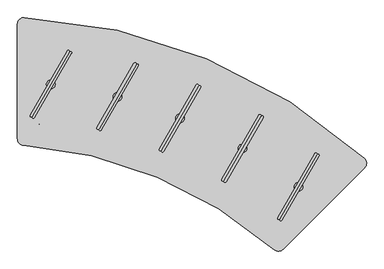
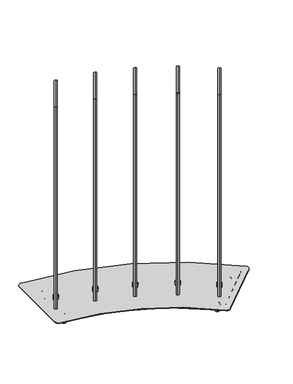
"""IFC4 building model written with IfcOpenShell, lengths in millimetres: furniture geometry."""

from ifc_helpers import new_model, si_unit, point, frame, frame_2d, origin, place, context, project, spatial, polyline, circle_curve, ellipse_curve, trimmed, segment, composite_curve, outline, extrude, source, transform, mapped, element, save
from ifc_brep_helpers import plane_surface, cylinder_surface, revolved_surface, advanced_brep


def furniture_3e523dc0(model_context):
    return source(origin(), model_context, "Body", "SolidModel", [
        advanced_brep(
        [(280.6734308, -353.5244965, 45.0000013), (281.7186409, -351.0011417, 45.0000013), (279.6282207, -356.0478512, 45.0000013), (279.6282207, -356.0478512, 20.9698569), (281.7186409, -351.0011417, 20.9698569), (280.6734308, -353.5244965, 20.9698569)],
        [
            (0, 1),
            (1, 2, circle_curve(frame((280.6734308, -353.5244965, 45.0000013), z_axis=(0.0, 0.0, 1.0), x_axis=(0.3826841693843445, 0.9238792272275713, 0.0)), 2.7312604)),
            (2, 0),
            (2, 1, circle_curve(frame((280.6734308, -353.5244965, 45.0000013), z_axis=(0.0, 0.0, 1.0), x_axis=(0.3826841693843445, 0.9238792272275713, 0.0)), 2.7312604)),
            (3, 4, circle_curve(frame((280.6734308, -353.5244965, 20.9698569), z_axis=(0.0, 0.0, -1.0), x_axis=(0.3826841693843445, 0.9238792272275713, 0.0)), 2.7312604)),
            (4, 5),
            (5, 3),
            (4, 3, circle_curve(frame((280.6734308, -353.5244965, 20.9698569), z_axis=(0.0, 0.0, -1.0), x_axis=(0.3826841693843445, 0.9238792272275713, 0.0)), 2.7312604)),
            (1, 4),
            (3, 2),
        ],
        [
            plane_surface(frame((280.6734308, -353.5244965, 45.0000013), z_axis=(0.0, 0.0, 1.0), x_axis=(0.3826841693843445, 0.9238792272275713, 0.0))),
            plane_surface(frame((280.6734308, -353.5244965, 20.9698569), z_axis=(0.0, 0.0, -1.0), x_axis=(0.3826841693843445, 0.9238792272275713, 0.0))),
            cylinder_surface(frame((280.6734308, -353.5244965, 53.5051757), z_axis=(0.0, 0.0, 1.0), x_axis=(0.3826841693843445, 0.9238792272275713, 0.0)), 2.7312604),
        ],
        [
            (0, [[1, 2, 3]]),
            (0, [[-3, 4, -1]]),
            (1, [[5, 6, 7]]),
            (1, [[8, -7, -6]]),
            (2, [[-2, 9, -5, 10]]),
            (2, [[-4, -10, -8, -9]]),
        ],
    ),
        advanced_brep(
        [(287.9444294, -335.9707925, 6.35), (287.9444294, -335.9707925, 29.650001), (287.9444294, -335.9707925, 18.0000005), (285.514385, -341.8374256, 0.0), (285.514385, -341.8374256, 36.000001), (283.3522199, -347.0573422, 0.0), (283.3522199, -347.0573422, 36.000001), (283.3522199, -347.0573422, 11.0000008), (283.3522199, -347.0573422, 25.0000002), (277.99464, -359.991655, 11.0000008), (277.99464, -359.991655, 25.0000002), (277.99464, -359.991655, 0.0), (277.99464, -359.991655, 36.000001), (275.8324766, -365.2115673, 0.0), (275.8324766, -365.2115673, 36.000001), (273.4024321, -371.0782004, 6.35), (273.4024321, -371.0782004, 29.650001), (273.4024321, -371.0782004, 18.0000005)],
        [
            (0, 1, circle_curve(frame((287.9444294, -335.9707925, 18.0000005), z_axis=(0.3826841693843445, 0.9238792272275713, 0.0), x_axis=(0.0, 0.0, 1.0)), 11.6500005)),
            (1, 2),
            (2, 0),
            (1, 0, circle_curve(frame((287.9444294, -335.9707925, 18.0000005), z_axis=(0.3826841693843445, 0.9238792272275713, 0.0), x_axis=(0.0, 0.0, 1.0)), 11.6500005)),
            (3, 4, circle_curve(frame((285.514385, -341.8374256, 18.0000005), z_axis=(0.3826841693843445, 0.9238792272275713, 0.0), x_axis=(0.0, 0.0, 1.0)), 18.0000005)),
            (4, 1, circle_curve(frame((285.514385, -341.8374256, 29.650001), z_axis=(-0.9238792272275713, 0.3826841693843445, 0.0), x_axis=(0.3826841693843445, 0.9238792272275713, 0.0)), 6.35)),
            (0, 3, circle_curve(frame((285.514385, -341.8374256, 6.35), z_axis=(-0.9238792272275713, 0.3826841693843445, 0.0), x_axis=(0.3826841693843445, 0.9238792272275713, 0.0)), 6.35)),
            (4, 3, circle_curve(frame((285.514385, -341.8374256, 18.0000005), z_axis=(0.3826841693843445, 0.9238792272275713, 0.0), x_axis=(0.0, 0.0, 1.0)), 18.0000005)),
            (5, 6, circle_curve(frame((283.3522199, -347.0573422, 18.0000005), z_axis=(0.3826841693843445, 0.9238792272275713, 0.0), x_axis=(0.0, 0.0, 1.0)), 18.0000005)),
            (6, 4),
            (3, 5),
            (6, 5, circle_curve(frame((283.3522199, -347.0573422, 18.0000005), z_axis=(0.3826841693843445, 0.9238792272275713, 0.0), x_axis=(0.0, 0.0, 1.0)), 18.0000005)),
            (7, 8, circle_curve(frame((283.3522199, -347.0573422, 18.0000005), z_axis=(0.3826841693843445, 0.9238792272275713, 0.0), x_axis=(0.0, 0.0, 1.0)), 6.9999997)),
            (8, 6),
            (5, 7),
            (8, 7, circle_curve(frame((283.3522199, -347.0573422, 18.0000005), z_axis=(0.3826841693843445, 0.9238792272275713, 0.0), x_axis=(0.0, 0.0, 1.0)), 6.9999997)),
            (9, 10, circle_curve(frame((277.99464, -359.991655, 18.0000005), z_axis=(0.3826841693843445, 0.9238792272275713, 0.0), x_axis=(0.0, 0.0, 1.0)), 6.9999997)),
            (10, 8),
            (7, 9),
            (10, 9, circle_curve(frame((277.99464, -359.991655, 18.0000005), z_axis=(0.3826841693843445, 0.9238792272275713, 0.0), x_axis=(0.0, 0.0, 1.0)), 6.9999997)),
            (11, 12, circle_curve(frame((277.99464, -359.991655, 18.0000005), z_axis=(0.3826841693843445, 0.9238792272275713, 0.0), x_axis=(0.0, 0.0, 1.0)), 18.0000005)),
            (12, 10),
            (9, 11),
            (12, 11, circle_curve(frame((277.99464, -359.991655, 18.0000005), z_axis=(0.3826841693843445, 0.9238792272275713, 0.0), x_axis=(0.0, 0.0, 1.0)), 18.0000005)),
            (13, 14, circle_curve(frame((275.8324766, -365.2115673, 18.0000005), z_axis=(0.3826841693843445, 0.9238792272275713, 0.0), x_axis=(0.0, 0.0, 1.0)), 18.0000005)),
            (14, 12),
            (11, 13),
            (14, 13, circle_curve(frame((275.8324766, -365.2115673, 18.0000005), z_axis=(0.3826841693843445, 0.9238792272275713, 0.0), x_axis=(0.0, 0.0, 1.0)), 18.0000005)),
            (15, 16, circle_curve(frame((273.4024321, -371.0782004, 18.0000005), z_axis=(0.3826841693843445, 0.9238792272275713, 0.0), x_axis=(0.0, 0.0, 1.0)), 11.6500005)),
            (16, 14, circle_curve(frame((275.8324766, -365.2115673, 29.650001), z_axis=(-0.9238792272275713, 0.3826841693843445, 0.0), x_axis=(0.3826841693843445, 0.9238792272275713, 0.0)), 6.35)),
            (13, 15, circle_curve(frame((275.8324766, -365.2115673, 6.35), z_axis=(-0.9238792272275713, 0.3826841693843445, 0.0), x_axis=(0.3826841693843445, 0.9238792272275713, 0.0)), 6.35)),
            (16, 15, circle_curve(frame((273.4024321, -371.0782004, 18.0000005), z_axis=(0.3826841693843445, 0.9238792272275713, 0.0), x_axis=(0.0, 0.0, 1.0)), 11.6500005)),
            (17, 16),
            (15, 17),
        ],
        [
            plane_surface(frame((287.9444294, -335.9707925, 18.0000005), z_axis=(0.3826841693843445, 0.9238792272275713, 0.0), x_axis=(0.0, 0.0, 1.0))),
            revolved_surface(trimmed(ellipse_curve(frame((285.514385, -341.8374256, 29.650001), z_axis=(0.9238792272275713, -0.3826841693843445, 0.0), x_axis=(0.3826841693843445, 0.9238792272275713, 0.0)), 6.35, 6.35), [point((287.9444294, -335.9707925, 29.650001))], [point((285.514385, -341.8374256, 36.000001))], True, "CARTESIAN"), (258.8221653, -406.277999, 18.0000005), (-0.3826841693843445, -0.9238792272275713, 0.0)),
            cylinder_surface(frame((258.8221653, -406.277999, 18.0000005), z_axis=(-0.3826841693843445, -0.9238792272275713, 0.0), x_axis=(0.0, 0.0, 1.0)), 18.0000005),
            plane_surface(frame((283.3522199, -347.0573422, 18.0000005), z_axis=(-0.3826841693843445, -0.9238792272275713, 0.0), x_axis=(0.0, 0.0, 1.0))),
            cylinder_surface(frame((258.8221653, -406.277999, 18.0000005), z_axis=(-0.3826841693843445, -0.9238792272275713, 0.0), x_axis=(0.0, 0.0, 1.0)), 6.9999997),
            plane_surface(frame((277.99464, -359.991655, 18.0000005), z_axis=(0.3826841693843445, 0.9238792272275713, 0.0), x_axis=(0.0, 0.0, 1.0))),
            revolved_surface(trimmed(ellipse_curve(frame((275.8324766, -365.2115673, 29.650001), z_axis=(0.9238792272275713, -0.3826841693843445, 0.0), x_axis=(0.3826841693843445, 0.9238792272275713, 0.0)), 6.35, 6.35), [point((275.8324766, -365.2115673, 36.000001))], [point((273.4024321, -371.0782004, 29.650001))], True, "CARTESIAN"), (258.8221653, -406.277999, 18.0000005), (-0.3826841693843445, -0.9238792272275713, 0.0)),
            plane_surface(frame((273.4024321, -371.0782004, 18.0000005), z_axis=(-0.3826841693843445, -0.9238792272275713, 0.0), x_axis=(0.0, 0.0, 1.0))),
        ],
        [
            (0, [[1, 2, 3]]),
            (0, [[4, -3, -2]]),
            (1, [[5, 6, -1, 7]]),
            (1, [[8, -7, -4, -6]]),
            (2, [[9, 10, -5, 11]]),
            (2, [[12, -11, -8, -10]]),
            (3, [[13, 14, -9, 15]]),
            (3, [[16, -15, -12, -14]]),
            (4, [[17, 18, -13, 19]]),
            (4, [[20, -19, -16, -18]]),
            (5, [[21, 22, -17, 23]]),
            (5, [[24, -23, -20, -22]]),
            (2, [[25, 26, -21, 27]]),
            (2, [[28, -27, -24, -26]]),
            (6, [[29, 30, -25, 31]]),
            (6, [[32, -31, -28, -30]]),
            (7, [[33, -29, 34]]),
            (7, [[-34, -32, -33]]),
        ],
    ),
        advanced_brep(
        [(429.5525428, -204.6980144, 45.0000013), (430.5977537, -202.1746599, 45.0000013), (428.5073319, -207.2213688, 45.0000013), (428.5073319, -207.2213688, 20.9698569), (430.5977537, -202.1746599, 20.9698569), (429.5525428, -204.6980144, 20.9698569)],
        [
            (0, 1),
            (1, 2, circle_curve(frame((429.5525428, -204.6980144, 45.0000013), z_axis=(0.0, 0.0, 1.0), x_axis=(0.3826844634851495, 0.9238791054066994, 0.0)), 2.7312604)),
            (2, 0),
            (2, 1, circle_curve(frame((429.5525428, -204.6980144, 45.0000013), z_axis=(0.0, 0.0, 1.0), x_axis=(0.3826844634851495, 0.9238791054066994, 0.0)), 2.7312604)),
            (3, 4, circle_curve(frame((429.5525428, -204.6980144, 20.9698569), z_axis=(0.0, 0.0, -1.0), x_axis=(0.3826844634851495, 0.9238791054066994, 0.0)), 2.7312604)),
            (4, 5),
            (5, 3),
            (4, 3, circle_curve(frame((429.5525428, -204.6980144, 20.9698569), z_axis=(0.0, 0.0, -1.0), x_axis=(0.3826844634851495, 0.9238791054066994, 0.0)), 2.7312604)),
            (1, 4),
            (3, 2),
        ],
        [
            plane_surface(frame((429.5525428, -204.6980144, 45.0000013), z_axis=(0.0, 0.0, 1.0), x_axis=(0.38268446348514956, 0.9238791054066995, 0.0))),
            plane_surface(frame((429.5525428, -204.6980144, 20.9698569), z_axis=(0.0, 0.0, -1.0), x_axis=(0.38268446348514956, 0.9238791054066995, 0.0))),
            cylinder_surface(frame((429.5525428, -204.6980144, 53.5051757), z_axis=(0.0, 0.0, 1.0), x_axis=(0.3826844634851495, 0.9238791054066994, 0.0)), 2.7312604),
        ],
        [
            (0, [[1, 2, 3]]),
            (0, [[-3, 4, -1]]),
            (1, [[5, 6, 7]]),
            (1, [[8, -7, -6]]),
            (2, [[-2, 9, -5, 10]]),
            (2, [[-4, -10, -8, -9]]),
        ],
    ),
        advanced_brep(
        [(436.823547, -187.1443127, 6.35), (436.823547, -187.1443127, 29.650001), (436.823547, -187.1443127, 18.0000005), (434.3935007, -193.0109451, 0.0), (434.3935007, -193.0109451, 36.000001), (432.2313339, -198.2308609, 0.0), (432.2313339, -198.2308609, 36.000001), (432.2313339, -198.2308609, 11.0000008), (432.2313339, -198.2308609, 25.0000002), (426.8737499, -211.165172, 11.0000008), (426.8737499, -211.165172, 25.0000002), (426.8737499, -211.165172, 0.0), (426.8737499, -211.165172, 36.000001), (424.7115849, -216.3850837, 0.0), (424.7115849, -216.3850837, 36.000001), (422.2815386, -222.251716, 6.35), (422.2815386, -222.251716, 29.650001), (422.2815386, -222.251716, 18.0000005)],
        [
            (0, 1, circle_curve(frame((436.823547, -187.1443127, 18.0000005), z_axis=(0.3826844634851496, 0.9238791054066996, 0.0), x_axis=(0.0, 0.0, 1.0)), 11.6500005)),
            (1, 2),
            (2, 0),
            (1, 0, circle_curve(frame((436.823547, -187.1443127, 18.0000005), z_axis=(0.3826844634851496, 0.9238791054066996, 0.0), x_axis=(0.0, 0.0, 1.0)), 11.6500005)),
            (3, 4, circle_curve(frame((434.3935007, -193.0109451, 18.0000005), z_axis=(0.3826844634851496, 0.9238791054066996, 0.0), x_axis=(0.0, 0.0, 1.0)), 18.0000005)),
            (4, 1, circle_curve(frame((434.3935007, -193.0109451, 29.650001), z_axis=(-0.9238791054066994, 0.3826844634851495, 0.0), x_axis=(0.3826844634851495, 0.9238791054066994, 0.0)), 6.35)),
            (0, 3, circle_curve(frame((434.3935007, -193.0109451, 6.35), z_axis=(-0.9238791054066994, 0.3826844634851495, 0.0), x_axis=(0.3826844634851495, 0.9238791054066994, 0.0)), 6.35)),
            (4, 3, circle_curve(frame((434.3935007, -193.0109451, 18.0000005), z_axis=(0.3826844634851496, 0.9238791054066996, 0.0), x_axis=(0.0, 0.0, 1.0)), 18.0000005)),
            (5, 6, circle_curve(frame((432.2313339, -198.2308609, 18.0000005), z_axis=(0.3826844634851496, 0.9238791054066996, 0.0), x_axis=(0.0, 0.0, 1.0)), 18.0000005)),
            (6, 4),
            (3, 5),
            (6, 5, circle_curve(frame((432.2313339, -198.2308609, 18.0000005), z_axis=(0.3826844634851496, 0.9238791054066996, 0.0), x_axis=(0.0, 0.0, 1.0)), 18.0000005)),
            (7, 8, circle_curve(frame((432.2313339, -198.2308609, 18.0000005), z_axis=(0.3826844634851496, 0.9238791054066996, 0.0), x_axis=(0.0, 0.0, 1.0)), 6.9999997)),
            (8, 6),
            (5, 7),
            (8, 7, circle_curve(frame((432.2313339, -198.2308609, 18.0000005), z_axis=(0.3826844634851496, 0.9238791054066996, 0.0), x_axis=(0.0, 0.0, 1.0)), 6.9999997)),
            (9, 10, circle_curve(frame((426.8737499, -211.165172, 18.0000005), z_axis=(0.3826844634851496, 0.9238791054066996, 0.0), x_axis=(0.0, 0.0, 1.0)), 6.9999997)),
            (10, 8),
            (7, 9),
            (10, 9, circle_curve(frame((426.8737499, -211.165172, 18.0000005), z_axis=(0.3826844634851496, 0.9238791054066996, 0.0), x_axis=(0.0, 0.0, 1.0)), 6.9999997)),
            (11, 12, circle_curve(frame((426.8737499, -211.165172, 18.0000005), z_axis=(0.3826844634851496, 0.9238791054066996, 0.0), x_axis=(0.0, 0.0, 1.0)), 18.0000005)),
            (12, 10),
            (9, 11),
            (12, 11, circle_curve(frame((426.8737499, -211.165172, 18.0000005), z_axis=(0.3826844634851496, 0.9238791054066996, 0.0), x_axis=(0.0, 0.0, 1.0)), 18.0000005)),
            (13, 14, circle_curve(frame((424.7115849, -216.3850837, 18.0000005), z_axis=(0.3826844634851496, 0.9238791054066996, 0.0), x_axis=(0.0, 0.0, 1.0)), 18.0000005)),
            (14, 12),
            (11, 13),
            (14, 13, circle_curve(frame((424.7115849, -216.3850837, 18.0000005), z_axis=(0.3826844634851496, 0.9238791054066996, 0.0), x_axis=(0.0, 0.0, 1.0)), 18.0000005)),
            (15, 16, circle_curve(frame((422.2815386, -222.251716, 18.0000005), z_axis=(0.3826844634851496, 0.9238791054066996, 0.0), x_axis=(0.0, 0.0, 1.0)), 11.6500005)),
            (16, 14, circle_curve(frame((424.7115849, -216.3850837, 29.650001), z_axis=(-0.9238791054066994, 0.3826844634851495, 0.0), x_axis=(0.3826844634851495, 0.9238791054066994, 0.0)), 6.35)),
            (13, 15, circle_curve(frame((424.7115849, -216.3850837, 6.35), z_axis=(-0.9238791054066994, 0.3826844634851495, 0.0), x_axis=(0.3826844634851495, 0.9238791054066994, 0.0)), 6.35)),
            (16, 15, circle_curve(frame((422.2815386, -222.251716, 18.0000005), z_axis=(0.3826844634851496, 0.9238791054066996, 0.0), x_axis=(0.0, 0.0, 1.0)), 11.6500005)),
            (17, 16),
            (15, 17),
        ],
        [
            plane_surface(frame((436.823547, -187.1443127, 18.0000005), z_axis=(0.38268446348514956, 0.9238791054066995, 0.0), x_axis=(0.0, 0.0, 1.0))),
            revolved_surface(trimmed(ellipse_curve(frame((434.3935007, -193.0109451, 29.650001), z_axis=(0.9238791054066994, -0.3826844634851495, 0.0), x_axis=(0.3826844634851495, 0.9238791054066994, 0.0)), 6.35, 6.35), [point((436.823547, -187.1443127, 29.650001))], [point((434.3935007, -193.0109451, 36.000001))], True, "CARTESIAN"), (407.7012605, -257.4515099, 18.0000005), (-0.3826844634851495, -0.9238791054066994, 0.0)),
            cylinder_surface(frame((407.7012605, -257.4515099, 18.0000005), z_axis=(-0.3826844634851495, -0.9238791054066994, 0.0), x_axis=(0.0, 0.0, 1.0)), 18.0000005),
            plane_surface(frame((432.2313339, -198.2308609, 18.0000005), z_axis=(-0.38268446348514956, -0.9238791054066995, 0.0), x_axis=(0.0, 0.0, 1.0))),
            cylinder_surface(frame((407.7012605, -257.4515099, 18.0000005), z_axis=(-0.3826844634851495, -0.9238791054066994, 0.0), x_axis=(0.0, 0.0, 1.0)), 6.9999997),
            plane_surface(frame((426.8737499, -211.165172, 18.0000005), z_axis=(0.38268446348514956, 0.9238791054066995, 0.0), x_axis=(0.0, 0.0, 1.0))),
            revolved_surface(trimmed(ellipse_curve(frame((424.7115849, -216.3850837, 29.650001), z_axis=(0.9238791054066994, -0.3826844634851495, 0.0), x_axis=(0.3826844634851495, 0.9238791054066994, 0.0)), 6.35, 6.35), [point((424.7115849, -216.3850837, 36.000001))], [point((422.2815386, -222.251716, 29.650001))], True, "CARTESIAN"), (407.7012605, -257.4515099, 18.0000005), (-0.3826844634851495, -0.9238791054066994, 0.0)),
            plane_surface(frame((422.2815386, -222.251716, 18.0000005), z_axis=(-0.38268446348514956, -0.9238791054066995, 0.0), x_axis=(0.0, 0.0, 1.0))),
        ],
        [
            (0, [[1, 2, 3]]),
            (0, [[4, -3, -2]]),
            (1, [[5, 6, -1, 7]]),
            (1, [[8, -7, -4, -6]]),
            (2, [[9, 10, -5, 11]]),
            (2, [[12, -11, -8, -10]]),
            (3, [[13, 14, -9, 15]]),
            (3, [[16, -15, -12, -14]]),
            (4, [[17, 18, -13, 19]]),
            (4, [[20, -19, -16, -18]]),
            (5, [[21, 22, -17, 23]]),
            (5, [[24, -23, -20, -22]]),
            (2, [[25, 26, -21, 27]]),
            (2, [[28, -27, -24, -26]]),
            (6, [[29, 30, -25, 31]]),
            (6, [[32, -31, -28, -30]]),
            (7, [[33, -29, 34]]),
            (7, [[-34, -32, -33]]),
        ],
    ),
        advanced_brep(
        [(-388.6369377, -76.6798543, 45.0000013), (-387.5917288, -74.156499, 45.0000013), (-389.6821465, -79.2032097, 45.0000013), (-389.6821465, -79.2032097, 20.9698569), (-387.5917288, -74.156499, 20.9698569), (-388.6369377, -76.6798543, 20.9698569)],
        [
            (0, 1),
            (1, 2, circle_curve(frame((-388.6369377, -76.6798543, 45.0000013), z_axis=(0.0, 0.0, 1.0), x_axis=(0.38268370125254575, 0.9238794211344099, 0.0)), 2.7312604)),
            (2, 0),
            (2, 1, circle_curve(frame((-388.6369377, -76.6798543, 45.0000013), z_axis=(0.0, 0.0, 1.0), x_axis=(0.38268370125254575, 0.9238794211344099, 0.0)), 2.7312604)),
            (3, 4, circle_curve(frame((-388.6369377, -76.6798543, 20.9698569), z_axis=(0.0, 0.0, -1.0), x_axis=(0.38268370125254575, 0.9238794211344099, 0.0)), 2.7312604)),
            (4, 5),
            (5, 3),
            (4, 3, circle_curve(frame((-388.6369377, -76.6798543, 20.9698569), z_axis=(0.0, 0.0, -1.0), x_axis=(0.38268370125254575, 0.9238794211344099, 0.0)), 2.7312604)),
            (1, 4),
            (3, 2),
        ],
        [
            plane_surface(frame((-388.6369377, -76.6798543, 45.0000013), z_axis=(0.0, 0.0, 1.0), x_axis=(0.38268370125254575, 0.9238794211344099, 0.0))),
            plane_surface(frame((-388.6369377, -76.6798543, 20.9698569), z_axis=(0.0, 0.0, -1.0), x_axis=(0.38268370125254575, 0.9238794211344099, 0.0))),
            cylinder_surface(frame((-388.6369377, -76.6798543, 53.5051757), z_axis=(0.0, 0.0, 1.0), x_axis=(0.38268370125254575, 0.9238794211344099, 0.0)), 2.7312604),
        ],
        [
            (0, [[1, 2, 3]]),
            (0, [[-3, 4, -1]]),
            (1, [[5, 6, 7]]),
            (1, [[8, -7, -6]]),
            (2, [[-2, 9, -5, 10]]),
            (2, [[-4, -10, -8, -9]]),
        ],
    ),
        advanced_brep(
        [(-381.3659479, -59.1261467, 6.35), (-381.3659479, -59.1261467, 29.650001), (-381.3659479, -59.1261467, 18.0000005), (-383.7959894, -64.992781, 0.0), (-383.7959894, -64.992781, 36.000001), (-385.9581519, -70.2126987, 0.0), (-385.9581519, -70.2126987, 36.000001), (-385.9581519, -70.2126987, 11.0000008), (-385.9581519, -70.2126987, 25.0000002), (-391.3157252, -83.1470142, 11.0000008), (-391.3157252, -83.1470142, 25.0000002), (-391.3157252, -83.1470142, 0.0), (-391.3157252, -83.1470142, 36.000001), (-393.4778859, -88.3669276, 0.0), (-393.4778859, -88.3669276, 36.000001), (-395.9079274, -94.233562, 6.35), (-395.9079274, -94.233562, 29.650001), (-395.9079274, -94.233562, 18.0000005)],
        [
            (0, 1, circle_curve(frame((-381.3659479, -59.1261467, 18.0000005), z_axis=(0.38268370125254575, 0.9238794211344099, 0.0), x_axis=(0.0, 0.0, 1.0)), 11.6500005)),
            (1, 2),
            (2, 0),
            (1, 0, circle_curve(frame((-381.3659479, -59.1261467, 18.0000005), z_axis=(0.38268370125254575, 0.9238794211344099, 0.0), x_axis=(0.0, 0.0, 1.0)), 11.6500005)),
            (3, 4, circle_curve(frame((-383.7959894, -64.992781, 18.0000005), z_axis=(0.38268370125254575, 0.9238794211344099, 0.0), x_axis=(0.0, 0.0, 1.0)), 18.0000005)),
            (4, 1, circle_curve(frame((-383.7959894, -64.992781, 29.650001), z_axis=(-0.9238794211344099, 0.38268370125254575, 0.0), x_axis=(0.38268370125254575, 0.9238794211344099, 0.0)), 6.35)),
            (0, 3, circle_curve(frame((-383.7959894, -64.992781, 6.35), z_axis=(-0.9238794211344099, 0.38268370125254575, 0.0), x_axis=(0.38268370125254575, 0.9238794211344099, 0.0)), 6.35)),
            (4, 3, circle_curve(frame((-383.7959894, -64.992781, 18.0000005), z_axis=(0.38268370125254575, 0.9238794211344099, 0.0), x_axis=(0.0, 0.0, 1.0)), 18.0000005)),
            (5, 6, circle_curve(frame((-385.9581519, -70.2126987, 18.0000005), z_axis=(0.38268370125254575, 0.9238794211344099, 0.0), x_axis=(0.0, 0.0, 1.0)), 18.0000005)),
            (6, 4),
            (3, 5),
            (6, 5, circle_curve(frame((-385.9581519, -70.2126987, 18.0000005), z_axis=(0.38268370125254575, 0.9238794211344099, 0.0), x_axis=(0.0, 0.0, 1.0)), 18.0000005)),
            (7, 8, circle_curve(frame((-385.9581519, -70.2126987, 18.0000005), z_axis=(0.38268370125254575, 0.9238794211344099, 0.0), x_axis=(0.0, 0.0, 1.0)), 6.9999997)),
            (8, 6),
            (5, 7),
            (8, 7, circle_curve(frame((-385.9581519, -70.2126987, 18.0000005), z_axis=(0.38268370125254575, 0.9238794211344099, 0.0), x_axis=(0.0, 0.0, 1.0)), 6.9999997)),
            (9, 10, circle_curve(frame((-391.3157252, -83.1470142, 18.0000005), z_axis=(0.38268370125254575, 0.9238794211344099, 0.0), x_axis=(0.0, 0.0, 1.0)), 6.9999997)),
            (10, 8),
            (7, 9),
            (10, 9, circle_curve(frame((-391.3157252, -83.1470142, 18.0000005), z_axis=(0.38268370125254575, 0.9238794211344099, 0.0), x_axis=(0.0, 0.0, 1.0)), 6.9999997)),
            (11, 12, circle_curve(frame((-391.3157252, -83.1470142, 18.0000005), z_axis=(0.38268370125254575, 0.9238794211344099, 0.0), x_axis=(0.0, 0.0, 1.0)), 18.0000005)),
            (12, 10),
            (9, 11),
            (12, 11, circle_curve(frame((-391.3157252, -83.1470142, 18.0000005), z_axis=(0.38268370125254575, 0.9238794211344099, 0.0), x_axis=(0.0, 0.0, 1.0)), 18.0000005)),
            (13, 14, circle_curve(frame((-393.4778859, -88.3669276, 18.0000005), z_axis=(0.38268370125254575, 0.9238794211344099, 0.0), x_axis=(0.0, 0.0, 1.0)), 18.0000005)),
            (14, 12),
            (11, 13),
            (14, 13, circle_curve(frame((-393.4778859, -88.3669276, 18.0000005), z_axis=(0.38268370125254575, 0.9238794211344099, 0.0), x_axis=(0.0, 0.0, 1.0)), 18.0000005)),
            (15, 16, circle_curve(frame((-395.9079274, -94.233562, 18.0000005), z_axis=(0.38268370125254575, 0.9238794211344099, 0.0), x_axis=(0.0, 0.0, 1.0)), 11.6500005)),
            (16, 14, circle_curve(frame((-393.4778859, -88.3669276, 29.650001), z_axis=(-0.9238794211344099, 0.38268370125254575, 0.0), x_axis=(0.38268370125254575, 0.9238794211344099, 0.0)), 6.35)),
            (13, 15, circle_curve(frame((-393.4778859, -88.3669276, 6.35), z_axis=(-0.9238794211344099, 0.38268370125254575, 0.0), x_axis=(0.38268370125254575, 0.9238794211344099, 0.0)), 6.35)),
            (16, 15, circle_curve(frame((-395.9079274, -94.233562, 18.0000005), z_axis=(0.38268370125254575, 0.9238794211344099, 0.0), x_axis=(0.0, 0.0, 1.0)), 11.6500005)),
            (17, 16),
            (15, 17),
        ],
        [
            plane_surface(frame((-381.3659479, -59.1261467, 18.0000005), z_axis=(0.38268370125254575, 0.9238794211344099, 0.0), x_axis=(0.0, 0.0, 1.0))),
            revolved_surface(trimmed(ellipse_curve(frame((-383.7959894, -64.992781, 29.650001), z_axis=(0.9238794211344099, -0.38268370125254575, 0.0), x_axis=(0.38268370125254575, 0.9238794211344099, 0.0)), 6.35, 6.35), [point((-381.3659479, -59.1261467, 29.650001))], [point((-383.7959894, -64.992781, 36.000001))], True, "CARTESIAN"), (-410.4881764, -129.4333679, 18.0000005), (-0.38268370125254575, -0.9238794211344099, 0.0)),
            cylinder_surface(frame((-410.4881764, -129.4333679, 18.0000005), z_axis=(-0.38268370125254575, -0.9238794211344099, 0.0), x_axis=(0.0, 0.0, 1.0)), 18.0000005),
            plane_surface(frame((-385.9581519, -70.2126987, 18.0000005), z_axis=(-0.38268370125254575, -0.9238794211344099, 0.0), x_axis=(0.0, 0.0, 1.0))),
            cylinder_surface(frame((-410.4881764, -129.4333679, 18.0000005), z_axis=(-0.38268370125254575, -0.9238794211344099, 0.0), x_axis=(0.0, 0.0, 1.0)), 6.9999997),
            plane_surface(frame((-391.3157252, -83.1470142, 18.0000005), z_axis=(0.38268370125254575, 0.9238794211344099, 0.0), x_axis=(0.0, 0.0, 1.0))),
            revolved_surface(trimmed(ellipse_curve(frame((-393.4778859, -88.3669276, 29.650001), z_axis=(0.9238794211344099, -0.38268370125254575, 0.0), x_axis=(0.38268370125254575, 0.9238794211344099, 0.0)), 6.35, 6.35), [point((-393.4778859, -88.3669276, 36.000001))], [point((-395.9079274, -94.233562, 29.650001))], True, "CARTESIAN"), (-410.4881764, -129.4333679, 18.0000005), (-0.38268370125254575, -0.9238794211344099, 0.0)),
            plane_surface(frame((-395.9079274, -94.233562, 18.0000005), z_axis=(-0.38268370125254575, -0.9238794211344099, 0.0), x_axis=(0.0, 0.0, 1.0))),
        ],
        [
            (0, [[1, 2, 3]]),
            (0, [[4, -3, -2]]),
            (1, [[5, 6, -1, 7]]),
            (1, [[8, -7, -4, -6]]),
            (2, [[9, 10, -5, 11]]),
            (2, [[12, -11, -8, -10]]),
            (3, [[13, 14, -9, 15]]),
            (3, [[16, -15, -12, -14]]),
            (4, [[17, 18, -13, 19]]),
            (4, [[20, -19, -16, -18]]),
            (5, [[21, 22, -17, 23]]),
            (5, [[24, -23, -20, -22]]),
            (2, [[25, 26, -21, 27]]),
            (2, [[28, -27, -24, -26]]),
            (6, [[29, 30, -25, 31]]),
            (6, [[32, -31, -28, -30]]),
            (7, [[33, -29, 34]]),
            (7, [[-34, -32, -33]]),
        ],
    ),
        advanced_brep(
        [(-388.5036269, 134.1442943, 45.0000013), (-387.4584191, 136.6676501, 45.0000013), (-389.5488346, 131.6209386, 45.0000013), (-389.5488346, 131.6209386, 20.9698569), (-387.4584191, 136.6676501, 20.9698569), (-388.5036269, 134.1442943, 20.9698569)],
        [
            (0, 1),
            (1, 2, circle_curve(frame((-388.5036269, 134.1442943, 45.0000013), z_axis=(0.0, 0.0, 1.0), x_axis=(0.38268330505817266, 0.9238795852435282, 0.0)), 2.7312604)),
            (2, 0),
            (2, 1, circle_curve(frame((-388.5036269, 134.1442943, 45.0000013), z_axis=(0.0, 0.0, 1.0), x_axis=(0.38268330505817266, 0.9238795852435282, 0.0)), 2.7312604)),
            (3, 4, circle_curve(frame((-388.5036269, 134.1442943, 20.9698569), z_axis=(0.0, 0.0, -1.0), x_axis=(0.38268330505817266, 0.9238795852435282, 0.0)), 2.7312604)),
            (4, 5),
            (5, 3),
            (4, 3, circle_curve(frame((-388.5036269, 134.1442943, 20.9698569), z_axis=(0.0, 0.0, -1.0), x_axis=(0.38268330505817266, 0.9238795852435282, 0.0)), 2.7312604)),
            (1, 4),
            (3, 2),
        ],
        [
            plane_surface(frame((-388.5036269, 134.1442943, 45.0000013), z_axis=(0.0, 0.0, 1.0000000000000002), x_axis=(0.38268330505817266, 0.9238795852435282, 0.0))),
            plane_surface(frame((-388.5036269, 134.1442943, 20.9698569), z_axis=(0.0, 0.0, -1.0000000000000002), x_axis=(0.38268330505817266, 0.9238795852435282, 0.0))),
            cylinder_surface(frame((-388.5036269, 134.1442943, 53.5051757), z_axis=(0.0, 0.0, 1.0), x_axis=(0.38268330505817266, 0.9238795852435282, 0.0)), 2.7312604),
        ],
        [
            (0, [[1, 2, 3]]),
            (0, [[-3, 4, -1]]),
            (1, [[5, 6, 7]]),
            (1, [[8, -7, -6]]),
            (2, [[-2, 9, -5, 10]]),
            (2, [[-4, -10, -8, -9]]),
        ],
    ),
        advanced_brep(
        [(-381.2326446, 151.6980051, 6.35), (-381.2326446, 151.6980051, 29.650001), (-381.2326446, 151.6980051, 18.0000005), (-383.6626836, 145.8313697, 0.0), (-383.6626836, 145.8313697, 36.000001), (-385.8248438, 140.6114511, 0.0), (-385.8248438, 140.6114511, 36.000001), (-385.8248438, 140.6114511, 11.0000008), (-385.8248438, 140.6114511, 25.0000002), (-391.1824116, 127.6771333, 11.0000008), (-391.1824116, 127.6771333, 25.0000002), (-391.1824116, 127.6771333, 0.0), (-391.1824116, 127.6771333, 36.000001), (-393.3445701, 122.4572189, 0.0), (-393.3445701, 122.4572189, 36.000001), (-395.7746091, 116.5905836, 6.35), (-395.7746091, 116.5905836, 29.650001), (-395.7746091, 116.5905836, 18.0000005)],
        [
            (0, 1, circle_curve(frame((-381.2326446, 151.6980051, 18.0000005), z_axis=(0.38268330505817266, 0.9238795852435282, 0.0), x_axis=(0.0, 0.0, 1.0)), 11.6500005)),
            (1, 2),
            (2, 0),
            (1, 0, circle_curve(frame((-381.2326446, 151.6980051, 18.0000005), z_axis=(0.38268330505817266, 0.9238795852435282, 0.0), x_axis=(0.0, 0.0, 1.0)), 11.6500005)),
            (3, 4, circle_curve(frame((-383.6626836, 145.8313697, 18.0000005), z_axis=(0.38268330505817266, 0.9238795852435282, 0.0), x_axis=(0.0, 0.0, 1.0)), 18.0000005)),
            (4, 1, circle_curve(frame((-383.6626836, 145.8313697, 29.650001), z_axis=(-0.9238795852435282, 0.38268330505817266, 0.0), x_axis=(0.38268330505817266, 0.9238795852435282, 0.0)), 6.35)),
            (0, 3, circle_curve(frame((-383.6626836, 145.8313697, 6.35), z_axis=(-0.9238795852435282, 0.38268330505817266, 0.0), x_axis=(0.38268330505817266, 0.9238795852435282, 0.0)), 6.35)),
            (4, 3, circle_curve(frame((-383.6626836, 145.8313697, 18.0000005), z_axis=(0.38268330505817266, 0.9238795852435282, 0.0), x_axis=(0.0, 0.0, 1.0)), 18.0000005)),
            (5, 6, circle_curve(frame((-385.8248438, 140.6114511, 18.0000005), z_axis=(0.38268330505817266, 0.9238795852435282, 0.0), x_axis=(0.0, 0.0, 1.0)), 18.0000005)),
            (6, 4),
            (3, 5),
            (6, 5, circle_curve(frame((-385.8248438, 140.6114511, 18.0000005), z_axis=(0.38268330505817266, 0.9238795852435282, 0.0), x_axis=(0.0, 0.0, 1.0)), 18.0000005)),
            (7, 8, circle_curve(frame((-385.8248438, 140.6114511, 18.0000005), z_axis=(0.38268330505817266, 0.9238795852435282, 0.0), x_axis=(0.0, 0.0, 1.0)), 6.9999997)),
            (8, 6),
            (5, 7),
            (8, 7, circle_curve(frame((-385.8248438, 140.6114511, 18.0000005), z_axis=(0.38268330505817266, 0.9238795852435282, 0.0), x_axis=(0.0, 0.0, 1.0)), 6.9999997)),
            (9, 10, circle_curve(frame((-391.1824116, 127.6771333, 18.0000005), z_axis=(0.38268330505817266, 0.9238795852435282, 0.0), x_axis=(0.0, 0.0, 1.0)), 6.9999997)),
            (10, 8),
            (7, 9),
            (10, 9, circle_curve(frame((-391.1824116, 127.6771333, 18.0000005), z_axis=(0.38268330505817266, 0.9238795852435282, 0.0), x_axis=(0.0, 0.0, 1.0)), 6.9999997)),
            (11, 12, circle_curve(frame((-391.1824116, 127.6771333, 18.0000005), z_axis=(0.38268330505817266, 0.9238795852435282, 0.0), x_axis=(0.0, 0.0, 1.0)), 18.0000005)),
            (12, 10),
            (9, 11),
            (12, 11, circle_curve(frame((-391.1824116, 127.6771333, 18.0000005), z_axis=(0.38268330505817266, 0.9238795852435282, 0.0), x_axis=(0.0, 0.0, 1.0)), 18.0000005)),
            (13, 14, circle_curve(frame((-393.3445701, 122.4572189, 18.0000005), z_axis=(0.38268330505817266, 0.9238795852435282, 0.0), x_axis=(0.0, 0.0, 1.0)), 18.0000005)),
            (14, 12),
            (11, 13),
            (14, 13, circle_curve(frame((-393.3445701, 122.4572189, 18.0000005), z_axis=(0.38268330505817266, 0.9238795852435282, 0.0), x_axis=(0.0, 0.0, 1.0)), 18.0000005)),
            (15, 16, circle_curve(frame((-395.7746091, 116.5905836, 18.0000005), z_axis=(0.38268330505817266, 0.9238795852435282, 0.0), x_axis=(0.0, 0.0, 1.0)), 11.6500005)),
            (16, 14, circle_curve(frame((-393.3445701, 122.4572189, 29.650001), z_axis=(-0.9238795852435282, 0.38268330505817266, 0.0), x_axis=(0.38268330505817266, 0.9238795852435282, 0.0)), 6.35)),
            (13, 15, circle_curve(frame((-393.3445701, 122.4572189, 6.35), z_axis=(-0.9238795852435282, 0.38268330505817266, 0.0), x_axis=(0.38268330505817266, 0.9238795852435282, 0.0)), 6.35)),
            (16, 15, circle_curve(frame((-395.7746091, 116.5905836, 18.0000005), z_axis=(0.38268330505817266, 0.9238795852435282, 0.0), x_axis=(0.0, 0.0, 1.0)), 11.6500005)),
            (17, 16),
            (15, 17),
        ],
        [
            plane_surface(frame((-381.2326446, 151.6980051, 18.0000005), z_axis=(0.38268330505817266, 0.9238795852435282, 0.0), x_axis=(0.0, 0.0, 1.0))),
            revolved_surface(trimmed(ellipse_curve(frame((-383.6626836, 145.8313697, 29.650001), z_axis=(0.9238795852435282, -0.38268330505817266, 0.0), x_axis=(0.38268330505817266, 0.9238795852435282, 0.0)), 6.35, 6.35), [point((-381.2326446, 151.6980051, 29.650001))], [point((-383.6626836, 145.8313697, 36.000001))], True, "CARTESIAN"), (-410.354843, 81.3907714, 18.0000005), (-0.38268330505817266, -0.9238795852435282, 0.0)),
            cylinder_surface(frame((-410.354843, 81.3907714, 18.0000005), z_axis=(-0.38268330505817266, -0.9238795852435282, 0.0), x_axis=(0.0, 0.0, 1.0)), 18.0000005),
            plane_surface(frame((-385.8248438, 140.6114511, 18.0000005), z_axis=(-0.38268330505817266, -0.9238795852435282, 0.0), x_axis=(0.0, 0.0, 1.0))),
            cylinder_surface(frame((-410.354843, 81.3907714, 18.0000005), z_axis=(-0.38268330505817266, -0.9238795852435282, 0.0), x_axis=(0.0, 0.0, 1.0)), 6.9999997),
            plane_surface(frame((-391.1824116, 127.6771333, 18.0000005), z_axis=(0.38268330505817266, 0.9238795852435282, 0.0), x_axis=(0.0, 0.0, 1.0))),
            revolved_surface(trimmed(ellipse_curve(frame((-393.3445701, 122.4572189, 29.650001), z_axis=(0.9238795852435282, -0.38268330505817266, 0.0), x_axis=(0.38268330505817266, 0.9238795852435282, 0.0)), 6.35, 6.35), [point((-393.3445701, 122.4572189, 36.000001))], [point((-395.7746091, 116.5905836, 29.650001))], True, "CARTESIAN"), (-410.354843, 81.3907714, 18.0000005), (-0.38268330505817266, -0.9238795852435282, 0.0)),
            plane_surface(frame((-395.7746091, 116.5905836, 18.0000005), z_axis=(-0.38268330505817266, -0.9238795852435282, 0.0), x_axis=(0.0, 0.0, 1.0))),
        ],
        [
            (0, [[1, 2, 3]]),
            (0, [[4, -3, -2]]),
            (1, [[5, 6, -1, 7]]),
            (1, [[8, -7, -4, -6]]),
            (2, [[9, 10, -5, 11]]),
            (2, [[12, -11, -8, -10]]),
            (3, [[13, 14, -9, 15]]),
            (3, [[16, -15, -12, -14]]),
            (4, [[17, 18, -13, 19]]),
            (4, [[20, -19, -16, -18]]),
            (5, [[21, 22, -17, 23]]),
            (5, [[24, -23, -20, -22]]),
            (2, [[25, 26, -21, 27]]),
            (2, [[28, -27, -24, -26]]),
            (6, [[29, 30, -25, 31]]),
            (6, [[32, -31, -28, -30]]),
            (7, [[33, -29, 34]]),
            (7, [[-34, -32, -33]]),
        ],
    ),
        extrude(outline(composite_curve([segment(trimmed(circle_curve(frame_2d((-419.4960741, 167.4557313)), 19.05), [point((-438.5460741, 167.4557313))], [point((-418.1073044, 186.4550423))], False, "CARTESIAN"), True, "CONTINUOUS"), segment(trimmed(circle_curve(frame_2d((-531.7750957, -1368.5974254)), 1559.2012519), [point((-418.1073044, 186.4550423))], [point((487.4377356, -188.6339732))], False, "CARTESIAN"), True, "CONTINUOUS"), segment(trimmed(circle_curve(frame_2d((474.9852029, -203.0505238)), 19.05), [point((487.4377356, -188.6339732))], [point((488.4555858, -216.5209092))], False, "CARTESIAN"), True, "CONTINUOUS"), segment(polyline([(488.4555858, -216.5209092), (295.9646299, -409.0118286)]), True, "CONTINUOUS"), segment(trimmed(circle_curve(frame_2d((282.494247, -395.5414431)), 19.05), [point((295.9646299, -409.0118286))], [point((270.2667118, -410.1493138))], False, "CARTESIAN"), True, "CONTINUOUS"), segment(trimmed(circle_curve(frame_2d((-531.5515125, -1368.0575729)), 1249.2000231), [point((270.2667118, -410.1493138))], [point((-421.179225, -123.7430403))], True, "CARTESIAN"), True, "CONTINUOUS"), segment(trimmed(circle_curve(frame_2d((-419.4960741, -104.7675429)), 19.05), [point((-421.179225, -123.7430403))], [point((-438.5460741, -104.7675429))], False, "CARTESIAN"), True, "CONTINUOUS"), segment(polyline([(-438.5460741, -104.7675429), (-438.5460741, 167.4557313)]), True, "CONTINUOUS")], self_intersect=False)), frame((0.0, 0.0, 36.322), z_axis=(0.0, 0.0, 1.0), x_axis=(1.0, 0.0, 0.0)), (0.0, 0.0, 1.0), 20.6756),
        extrude(outline(composite_curve([segment(polyline([(-468.5460736, -131.1224266), (-468.5460736, 199.3418668)]), True, "CONTINUOUS"), segment(trimmed(circle_curve(frame_2d((-449.4960736, 199.3418668)), 19.05), [point((-468.5460736, 199.3418668))], [point((-448.5014738, 218.3658851))], False, "CARTESIAN"), True, "CONTINUOUS"), segment(trimmed(circle_curve(frame_2d((-531.4274371, -1367.784621)), 1588.3167642), [point((-448.5014738, 218.3658851))], [point((531.4986436, -187.5565539))], False, "CARTESIAN"), True, "CONTINUOUS"), segment(trimmed(circle_curve(frame_2d((518.7500897, -201.7120078)), 19.05), [point((531.4986436, -187.5565539))], [point((532.220476, -215.1823899))], False, "CARTESIAN"), True, "CONTINUOUS"), segment(polyline([(532.220476, -215.1823899), (297.882893, -449.5200458)]), True, "CONTINUOUS"), segment(trimmed(circle_curve(frame_2d((284.4125067, -436.0496637)), 19.05), [point((297.882893, -449.5200458))], [point((271.9304226, -450.4406358))], False, "CARTESIAN"), True, "CONTINUOUS"), segment(trimmed(circle_curve(frame_2d((-541.5381758, -1388.3131727)), 1241.5055603), [point((271.9304226, -450.4406358))], [point((-450.8870492, -150.1215762))], True, "CARTESIAN"), True, "CONTINUOUS"), segment(trimmed(circle_curve(frame_2d((-449.4960736, -131.1224266)), 19.05), [point((-450.8870492, -150.1215762))], [point((-468.5460736, -131.1224266))], False, "CARTESIAN"), True, "CONTINUOUS")], self_intersect=False)), frame((0.0, 0.0, 56.9976), z_axis=(0.0, 0.0, 1.0), x_axis=(1.0, 0.0, 0.0)), (0.0, 0.0, 1.0), 2.9999986),
        extrude(outline(composite_curve([segment(polyline([(281.9295904, -358.8077226), (388.5875108, -174.0707853)]), True, "CONTINUOUS"), segment(trimmed(circle_curve(frame_2d((391.6185291, -175.8207445)), 3.4999184), [point((388.5875108, -174.0707853))], [point((394.6495473, -177.5707037))], False, "CARTESIAN"), True, "CONTINUOUS"), segment(polyline([(394.6495473, -177.5707037), (287.9916269, -362.3076409)]), True, "CONTINUOUS"), segment(trimmed(circle_curve(frame_2d((284.9606086, -360.5576818)), 3.4999184), [point((287.9916269, -362.3076409))], [point((281.9295904, -358.8077226))], False, "CARTESIAN"), True, "CONTINUOUS")], self_intersect=False)), frame((0.0, 0.0, 80.7339983), z_axis=(0.0, 0.0, 1.0), x_axis=(1.0, 0.0, 0.0)), (0.0, 0.0, 1.0), 1150.112),
        extrude(outline(composite_curve([segment(trimmed(circle_curve(frame_2d((291.0226451, -364.0576001)), 3.4999184), [point((294.0536633, -365.8075593))], [point((287.9916269, -362.3076409))], False, "CARTESIAN"), True, "CONTINUOUS"), segment(polyline([(287.9916269, -362.3076409), (394.6495473, -177.5707037)]), True, "CONTINUOUS"), segment(trimmed(circle_curve(frame_2d((397.6805655, -179.3206629)), 3.4999184), [point((394.6495473, -177.5707037))], [point((400.7115838, -181.0706221))], False, "CARTESIAN"), True, "CONTINUOUS"), segment(polyline([(400.7115838, -181.0706221), (294.0536633, -365.8075593)]), True, "CONTINUOUS")], self_intersect=False)), frame((0.0, 0.0, 80.7339983), z_axis=(0.0, 0.0, 1.0), x_axis=(1.0, 0.0, 0.0)), (0.0, 0.0, 1.0), 1150.112),
        advanced_brep(
        [(341.3143001, -282.4358914, 80.7339983), (341.3143001, -257.4397564, 80.7339983), (341.3143001, -257.4397564, 59.9975986), (341.3143001, -282.4358914, 59.9975986), (341.3143001, -269.9378239, 80.7339983), (341.3143001, -269.9378239, 59.9975986)],
        [
            (0, 1, circle_curve(frame((341.3143001, -269.9378239, 80.7339983), z_axis=(0.0, 0.0, -1.0), x_axis=(0.0, 1.0, 0.0)), 12.4980675)),
            (1, 2),
            (2, 3, circle_curve(frame((341.3143001, -269.9378239, 59.9975986), z_axis=(0.0, 0.0, 1.0), x_axis=(0.0, 1.0, 0.0)), 12.4980675)),
            (3, 0),
            (4, 1),
            (0, 4),
            (0, 1, circle_curve(frame((341.3143001, -269.9378239, 80.7339983), z_axis=(0.0, 0.0, 1.0), x_axis=(0.0, 1.0, 0.0)), 12.4980675)),
            (2, 5),
            (5, 3),
            (2, 3, circle_curve(frame((341.3143001, -269.9378239, 59.9975986), z_axis=(0.0, 0.0, -1.0), x_axis=(0.0, 1.0, 0.0)), 12.4980675)),
        ],
        [
            cylinder_surface(frame((341.3143001, -269.9378239, 88.2747758), z_axis=(0.0, 0.0, 1.0), x_axis=(0.0, 1.0, 0.0)), 12.4980675),
            plane_surface(frame((341.3143001, -269.9378239, 80.7339983), z_axis=(0.0, 0.0, 1.0), x_axis=(0.0, 1.0, 0.0))),
            plane_surface(frame((341.3143001, -269.9378239, 59.9975986), z_axis=(0.0, 0.0, -1.0), x_axis=(0.0, 1.0, 0.0))),
        ],
        [
            (0, [[1, 2, 3, 4]]),
            (1, [[5, -1, 6]]),
            (1, [[-6, 7, -5]]),
            (2, [[-3, 8, 9]]),
            (2, [[10, -9, -8]]),
            (0, [[-7, -4, -10, -2]]),
        ],
    ),
        extrude(outline(composite_curve([segment(polyline([(120.6262821, -248.0135769), (227.2842025, -63.2766396)]), True, "CONTINUOUS"), segment(trimmed(circle_curve(frame_2d((230.3152208, -65.0265988)), 3.4999184), [point((227.2842025, -63.2766396))], [point((233.346239, -66.776558))], False, "CARTESIAN"), True, "CONTINUOUS"), segment(polyline([(233.346239, -66.776558), (126.6883186, -251.5134953)]), True, "CONTINUOUS"), segment(trimmed(circle_curve(frame_2d((123.6573003, -249.7635361)), 3.4999184), [point((126.6883186, -251.5134953))], [point((120.6262821, -248.0135769))], False, "CARTESIAN"), True, "CONTINUOUS")], self_intersect=False)), frame((0.0, 0.0, 80.7339983), z_axis=(0.0, 0.0, 1.0), x_axis=(1.0, 0.0, 0.0)), (0.0, 0.0, 1.0), 1150.112),
        extrude(outline(composite_curve([segment(trimmed(circle_curve(frame_2d((129.7193368, -253.2634545)), 3.4999184), [point((132.750355, -255.0134136))], [point((126.6883186, -251.5134953))], False, "CARTESIAN"), True, "CONTINUOUS"), segment(polyline([(126.6883186, -251.5134953), (233.346239, -66.776558)]), True, "CONTINUOUS"), segment(trimmed(circle_curve(frame_2d((236.3772572, -68.5265172)), 3.4999184), [point((233.346239, -66.776558))], [point((239.4082755, -70.2764764))], False, "CARTESIAN"), True, "CONTINUOUS"), segment(polyline([(239.4082755, -70.2764764), (132.750355, -255.0134136)]), True, "CONTINUOUS")], self_intersect=False)), frame((0.0, 0.0, 80.7339983), z_axis=(0.0, 0.0, 1.0), x_axis=(1.0, 0.0, 0.0)), (0.0, 0.0, 1.0), 1150.112),
        advanced_brep(
        [(180.0109918, -171.6417458, 80.7339983), (180.0109918, -146.6456107, 80.7339983), (180.0109918, -146.6456107, 59.9975986), (180.0109918, -171.6417458, 59.9975986), (180.0109918, -159.1436782, 80.7339983), (180.0109918, -159.1436782, 59.9975986)],
        [
            (0, 1, circle_curve(frame((180.0109918, -159.1436782, 80.7339983), z_axis=(0.0, 0.0, -1.0), x_axis=(0.0, 1.0, 0.0)), 12.4980675)),
            (1, 2),
            (2, 3, circle_curve(frame((180.0109918, -159.1436782, 59.9975986), z_axis=(0.0, 0.0, 1.0), x_axis=(0.0, 1.0, 0.0)), 12.4980675)),
            (3, 0),
            (4, 1),
            (0, 4),
            (0, 1, circle_curve(frame((180.0109918, -159.1436782, 80.7339983), z_axis=(0.0, 0.0, 1.0), x_axis=(0.0, 1.0, 0.0)), 12.4980675)),
            (2, 5),
            (5, 3),
            (2, 3, circle_curve(frame((180.0109918, -159.1436782, 59.9975986), z_axis=(0.0, 0.0, -1.0), x_axis=(0.0, 1.0, 0.0)), 12.4980675)),
        ],
        [
            cylinder_surface(frame((180.0109918, -159.1436782, 88.2747758), z_axis=(0.0, 0.0, 1.0), x_axis=(0.0, 1.0, 0.0)), 12.4980675),
            plane_surface(frame((180.0109918, -159.1436782, 80.7339983), z_axis=(0.0, 0.0, 1.0), x_axis=(0.0, 1.0, 0.0))),
            plane_surface(frame((180.0109918, -159.1436782, 59.9975986), z_axis=(0.0, 0.0, -1.0), x_axis=(0.0, 1.0, 0.0))),
        ],
        [
            (0, [[1, 2, 3, 4]]),
            (1, [[5, -1, 6]]),
            (1, [[-6, 7, -5]]),
            (2, [[-3, 8, 9]]),
            (2, [[10, -9, -8]]),
            (0, [[-7, -4, -10, -2]]),
        ],
    ),
        extrude(outline(composite_curve([segment(polyline([(-431.8141073, -63.1613971), (-325.1561869, 121.5755401)]), True, "CONTINUOUS"), segment(trimmed(circle_curve(frame_2d((-322.1251686, 119.8255809)), 3.4999184), [point((-325.1561869, 121.5755401))], [point((-319.0941504, 118.0756217))], False, "CARTESIAN"), True, "CONTINUOUS"), segment(polyline([(-319.0941504, 118.0756217), (-425.7520708, -66.6613155)]), True, "CONTINUOUS"), segment(trimmed(circle_curve(frame_2d((-428.7830891, -64.9113563)), 3.4999184), [point((-425.7520708, -66.6613155))], [point((-431.8141073, -63.1613971))], False, "CARTESIAN"), True, "CONTINUOUS")], self_intersect=False)), frame((0.0, 0.0, 80.7339983), z_axis=(0.0, 0.0, 1.0), x_axis=(1.0, 0.0, 0.0)), (0.0, 0.0, 1.0), 1150.112),
        extrude(outline(composite_curve([segment(trimmed(circle_curve(frame_2d((-422.7210526, -68.4112747)), 3.4999184), [point((-419.6900344, -70.1612339))], [point((-425.7520708, -66.6613155))], False, "CARTESIAN"), True, "CONTINUOUS"), segment(polyline([(-425.7520708, -66.6613155), (-319.0941504, 118.0756217)]), True, "CONTINUOUS"), segment(trimmed(circle_curve(frame_2d((-316.0631322, 116.3256625)), 3.4999184), [point((-319.0941504, 118.0756217))], [point((-313.0321139, 114.5757034))], False, "CARTESIAN"), True, "CONTINUOUS"), segment(polyline([(-313.0321139, 114.5757034), (-419.6900344, -70.1612339)]), True, "CONTINUOUS")], self_intersect=False)), frame((0.0, 0.0, 80.7339983), z_axis=(0.0, 0.0, 1.0), x_axis=(1.0, 0.0, 0.0)), (0.0, 0.0, 1.0), 1150.112),
        advanced_brep(
        [(-372.4293976, 13.210434, 80.7339983), (-372.4293976, 38.2065691, 80.7339983), (-372.4293976, 38.2065691, 59.9975986), (-372.4293976, 13.210434, 59.9975986), (-372.4293976, 25.7085015, 80.7339983), (-372.4293976, 25.7085015, 59.9975986)],
        [
            (0, 1, circle_curve(frame((-372.4293976, 25.7085015, 80.7339983), z_axis=(0.0, 0.0, -1.0), x_axis=(0.0, 1.0, 0.0)), 12.4980675)),
            (1, 2),
            (2, 3, circle_curve(frame((-372.4293976, 25.7085015, 59.9975986), z_axis=(0.0, 0.0, 1.0), x_axis=(0.0, 1.0, 0.0)), 12.4980675)),
            (3, 0),
            (4, 1),
            (0, 4),
            (0, 1, circle_curve(frame((-372.4293976, 25.7085015, 80.7339983), z_axis=(0.0, 0.0, 1.0), x_axis=(0.0, 1.0, 0.0)), 12.4980675)),
            (2, 5),
            (5, 3),
            (2, 3, circle_curve(frame((-372.4293976, 25.7085015, 59.9975986), z_axis=(0.0, 0.0, -1.0), x_axis=(0.0, 1.0, 0.0)), 12.4980675)),
        ],
        [
            cylinder_surface(frame((-372.4293976, 25.7085015, 88.2747758), z_axis=(0.0, 0.0, 1.0), x_axis=(0.0, 1.0, 0.0)), 12.4980675),
            plane_surface(frame((-372.4293976, 25.7085015, 80.7339983), z_axis=(0.0, 0.0, 1.0), x_axis=(0.0, 1.0, 0.0))),
            plane_surface(frame((-372.4293976, 25.7085015, 59.9975986), z_axis=(0.0, 0.0, -1.0), x_axis=(0.0, 1.0, 0.0))),
        ],
        [
            (0, [[1, 2, 3, 4]]),
            (1, [[5, -1, 6]]),
            (1, [[-6, 7, -5]]),
            (2, [[-3, 8, 9]]),
            (2, [[10, -9, -8]]),
            (0, [[-7, -4, -10, -2]]),
        ],
    ),
        extrude(outline(composite_curve([segment(polyline([(-59.3847097, -160.9427833), (47.2732107, 23.7941539)]), True, "CONTINUOUS"), segment(trimmed(circle_curve(frame_2d((50.3042289, 22.0441947)), 3.4999184), [point((47.2732107, 23.7941539))], [point((53.3352472, 20.2942356))], False, "CARTESIAN"), True, "CONTINUOUS"), segment(polyline([(53.3352472, 20.2942356), (-53.3226733, -164.4427017)]), True, "CONTINUOUS"), segment(trimmed(circle_curve(frame_2d((-56.3536915, -162.6927425)), 3.4999184), [point((-53.3226733, -164.4427017))], [point((-59.3847097, -160.9427833))], False, "CARTESIAN"), True, "CONTINUOUS")], self_intersect=False)), frame((0.0, 0.0, 80.7339983), z_axis=(0.0, 0.0, 1.0), x_axis=(1.0, 0.0, 0.0)), (0.0, 0.0, 1.0), 1150.112),
        extrude(outline(composite_curve([segment(trimmed(circle_curve(frame_2d((-50.291655, -166.1926609)), 3.4999184), [point((-47.2606368, -167.9426201))], [point((-53.3226733, -164.4427017))], False, "CARTESIAN"), True, "CONTINUOUS"), segment(polyline([(-53.3226733, -164.4427017), (53.3352472, 20.2942356)]), True, "CONTINUOUS"), segment(trimmed(circle_curve(frame_2d((56.3662654, 18.5442764)), 3.4999184), [point((53.3352472, 20.2942356))], [point((59.3972836, 16.7943172))], False, "CARTESIAN"), True, "CONTINUOUS"), segment(polyline([(59.3972836, 16.7943172), (-47.2606368, -167.9426201)]), True, "CONTINUOUS")], self_intersect=False)), frame((0.0, 0.0, 80.7339983), z_axis=(0.0, 0.0, 1.0), x_axis=(1.0, 0.0, 0.0)), (0.0, 0.0, 1.0), 1150.112),
        advanced_brep(
        [(0.0, -84.5709522, 80.7339983), (0.0, -59.5748171, 80.7339983), (0.0, -59.5748171, 59.9975986), (0.0, -84.5709522, 59.9975986), (0.0, -72.0728847, 80.7339983), (0.0, -72.0728847, 59.9975986)],
        [
            (0, 1, circle_curve(frame((0.0, -72.0728847, 80.7339983), z_axis=(0.0, 0.0, -1.0), x_axis=(0.0, 1.0, 0.0)), 12.4980675)),
            (1, 2),
            (2, 3, circle_curve(frame((0.0, -72.0728847, 59.9975986), z_axis=(0.0, 0.0, 1.0), x_axis=(0.0, 1.0, 0.0)), 12.4980675)),
            (3, 0),
            (4, 1),
            (0, 4),
            (0, 1, circle_curve(frame((0.0, -72.0728847, 80.7339983), z_axis=(0.0, 0.0, 1.0), x_axis=(0.0, 1.0, 0.0)), 12.4980675)),
            (2, 5),
            (5, 3),
            (2, 3, circle_curve(frame((0.0, -72.0728847, 59.9975986), z_axis=(0.0, 0.0, -1.0), x_axis=(0.0, 1.0, 0.0)), 12.4980675)),
        ],
        [
            cylinder_surface(frame((0.0, -72.0728847, 88.2747758), z_axis=(0.0, 0.0, 1.0), x_axis=(0.0, 1.0, 0.0)), 12.4980675),
            plane_surface(frame((0.0, -72.0728847, 80.7339983), z_axis=(0.0, 0.0, 1.0), x_axis=(0.0, 1.0, 0.0))),
            plane_surface(frame((0.0, -72.0728847, 59.9975986), z_axis=(0.0, 0.0, -1.0), x_axis=(0.0, 1.0, 0.0))),
        ],
        [
            (0, [[1, 2, 3, 4]]),
            (1, [[5, -1, 6]]),
            (1, [[-6, 7, -5]]),
            (2, [[-3, 8, 9]]),
            (2, [[10, -9, -8]]),
            (0, [[-7, -4, -10, -2]]),
        ],
    ),
        extrude(outline(composite_curve([segment(polyline([(-239.2449022, -98.9500193), (-132.5869818, 85.7869179)]), True, "CONTINUOUS"), segment(trimmed(circle_curve(frame_2d((-129.5559635, 84.0369587)), 3.4999184), [point((-132.5869818, 85.7869179))], [point((-126.5249453, 82.2869996))], False, "CARTESIAN"), True, "CONTINUOUS"), segment(polyline([(-126.5249453, 82.2869996), (-233.1828657, -102.4499377)]), True, "CONTINUOUS"), segment(trimmed(circle_curve(frame_2d((-236.213884, -100.6999785)), 3.4999184), [point((-233.1828657, -102.4499377))], [point((-239.2449022, -98.9500193))], False, "CARTESIAN"), True, "CONTINUOUS")], self_intersect=False)), frame((0.0, 0.0, 80.7339983), z_axis=(0.0, 0.0, 1.0), x_axis=(1.0, 0.0, 0.0)), (0.0, 0.0, 1.0), 1150.112),
        extrude(outline(composite_curve([segment(trimmed(circle_curve(frame_2d((-230.1518475, -104.1998969)), 3.4999184), [point((-227.1208293, -105.9498561))], [point((-233.1828657, -102.4499377))], False, "CARTESIAN"), True, "CONTINUOUS"), segment(polyline([(-233.1828657, -102.4499377), (-126.5249453, 82.2869996)]), True, "CONTINUOUS"), segment(trimmed(circle_curve(frame_2d((-123.4939271, 80.5370404)), 3.4999184), [point((-126.5249453, 82.2869996))], [point((-120.4629088, 78.7870812))], False, "CARTESIAN"), True, "CONTINUOUS"), segment(polyline([(-120.4629088, 78.7870812), (-227.1208293, -105.9498561)]), True, "CONTINUOUS")], self_intersect=False)), frame((0.0, 0.0, 80.7339983), z_axis=(0.0, 0.0, 1.0), x_axis=(1.0, 0.0, 0.0)), (0.0, 0.0, 1.0), 1150.112),
        advanced_brep(
        [(-179.8601925, -22.5781882, 80.7339983), (-179.8601925, 2.4179469, 80.7339983), (-179.8601925, 2.4179469, 59.9975986), (-179.8601925, -22.5781882, 59.9975986), (-179.8601925, -10.0801207, 80.7339983), (-179.8601925, -10.0801207, 59.9975986)],
        [
            (0, 1, circle_curve(frame((-179.8601925, -10.0801207, 80.7339983), z_axis=(0.0, 0.0, -1.0), x_axis=(0.0, 1.0, 0.0)), 12.4980675)),
            (1, 2),
            (2, 3, circle_curve(frame((-179.8601925, -10.0801207, 59.9975986), z_axis=(0.0, 0.0, 1.0), x_axis=(0.0, 1.0, 0.0)), 12.4980675)),
            (3, 0),
            (4, 1),
            (0, 4),
            (0, 1, circle_curve(frame((-179.8601925, -10.0801207, 80.7339983), z_axis=(0.0, 0.0, 1.0), x_axis=(0.0, 1.0, 0.0)), 12.4980675)),
            (2, 5),
            (5, 3),
            (2, 3, circle_curve(frame((-179.8601925, -10.0801207, 59.9975986), z_axis=(0.0, 0.0, -1.0), x_axis=(0.0, 1.0, 0.0)), 12.4980675)),
        ],
        [
            cylinder_surface(frame((-179.8601925, -10.0801207, 88.2747758), z_axis=(0.0, 0.0, 1.0), x_axis=(0.0, 1.0, 0.0)), 12.4980675),
            plane_surface(frame((-179.8601925, -10.0801207, 80.7339983), z_axis=(0.0, 0.0, 1.0), x_axis=(0.0, 1.0, 0.0))),
            plane_surface(frame((-179.8601925, -10.0801207, 59.9975986), z_axis=(0.0, 0.0, -1.0), x_axis=(0.0, 1.0, 0.0))),
        ],
        [
            (0, [[1, 2, 3, 4]]),
            (1, [[5, -1, 6]]),
            (1, [[-6, 7, -5]]),
            (2, [[-3, 8, 9]]),
            (2, [[10, -9, -8]]),
            (0, [[-7, -4, -10, -2]]),
        ],
    ),
    ])


if __name__ == "__main__":
    model = new_model("IFC4")
    model_context = context("Model", 3, world=origin())
    ifc_project = project(units=[si_unit("LENGTHUNIT", "METRE", prefix="MILLI")], contexts=[model_context])
    site = spatial("IfcSite", under=ifc_project)
    building = spatial("IfcBuilding", under=site)
    placement = place(None, origin())
    furniture_shape = furniture_3e523dc0(model_context)
    element("IfcFurniture", 1, at=placement, inside=building, context=model_context, shape_type="MappedRepresentation", body=[
        mapped(furniture_shape, transform((0.0, 0.0, 0.0), x_axis=(1.0, 0.0, 0.0), y_axis=(0.0, 1.0, 0.0), z_axis=(0.0, 0.0, 1.0))),
    ])
    save(model, "model.ifc")
